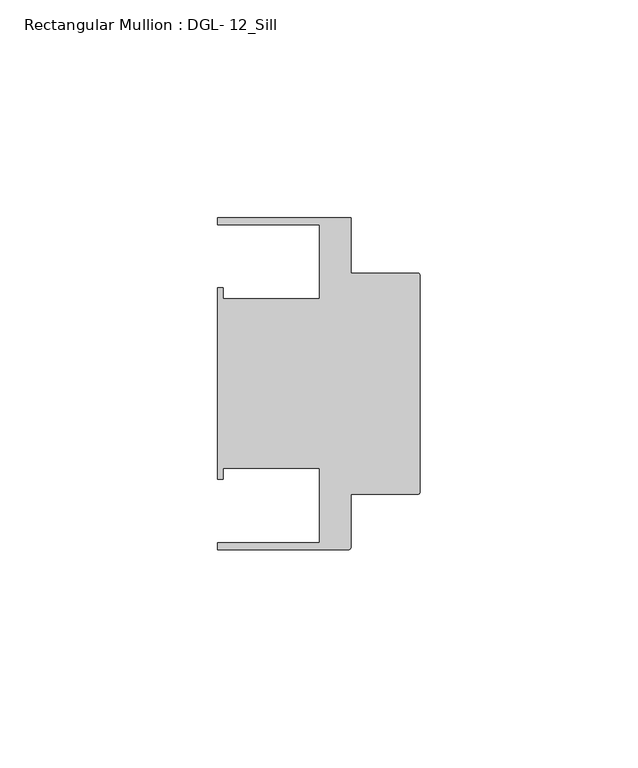
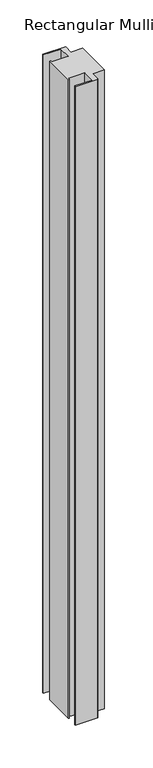
"""IFC4 building model written with IfcOpenShell, lengths in millimetres: member geometry, Rectangular Mullion : DGL- 12_Sill."""

from ifc_helpers import new_model, si_unit, point, frame, frame_2d, origin, place, context, project, spatial, polyline, circle_curve, trimmed, segment, composite_curve, outline, extrude, source, transform, mapped, element, save


def rectangular_mullion_dgl_12_sill_f5199025(model_context):
    return source(origin(), model_context, "Body", "SweptSolid", [
        extrude(outline(composite_curve([segment(trimmed(circle_curve(frame_2d((-0.5953125, 24.8046875)), 0.5953125), [point((-0.5953125, 25.4))], [point((0.0, 24.8046875))], False, "CARTESIAN"), True, "CONTINUOUS"), segment(polyline([(0.0, 24.8046875), (0.0, -24.8046875)]), True, "CONTINUOUS"), segment(trimmed(circle_curve(frame_2d((-0.5953125, -24.8046875)), 0.5953125), [point((0.0, -24.8046875))], [point((-0.5953125, -25.4))], False, "CARTESIAN"), True, "CONTINUOUS"), segment(polyline([(-0.5953125, -25.4), (-15.8750672, -25.4), (-15.8750672, -37.5047035)]), True, "CONTINUOUS"), segment(trimmed(circle_curve(frame_2d((-16.4703797, -37.5047035)), 0.5953125), [point((-15.8750672, -37.5047035))], [point((-16.4703797, -38.100016))], False, "CARTESIAN"), True, "CONTINUOUS"), segment(polyline([(-16.4703797, -38.100016), (-46.54296, -38.100016), (-46.54296, -36.512516), (-23.1202791, -36.512516), (-23.1202791, -19.4824275), (-45.2865266, -19.4824275), (-45.2865266, -21.9710976), (-46.54296, -21.9710976), (-46.54296, 21.9710976), (-45.2865266, 21.9710976), (-45.2865266, 19.4824275), (-23.1202791, 19.4824275), (-23.1202791, 36.512516), (-46.54296, 36.512516), (-46.54296, 38.0996792), (-15.8750672, 38.0996792), (-15.8750672, 25.4), (-0.5953125, 25.4)]), True, "CONTINUOUS")], self_intersect=False)), frame((0.0, 0.0, -910.9263895), z_axis=(0.0, 0.0, 1.0), x_axis=(1.0, 0.0, 0.0)), (0.0, 0.0, 1.0), 910.9263895),
    ])


if __name__ == "__main__":
    model = new_model("IFC4")
    model_context = context("Model", 3, world=origin())
    ifc_project = project(units=[si_unit("LENGTHUNIT", "METRE", prefix="MILLI")], contexts=[model_context])
    site = spatial("IfcSite", under=ifc_project)
    building = spatial("IfcBuilding", under=site)
    placement = place(None, origin())
    rectangular_mullion_dgl_12_sill_shape = rectangular_mullion_dgl_12_sill_f5199025(model_context)
    element("IfcMember", 1, ObjectType="Rectangular Mullion : DGL- 12_Sill", at=placement, inside=building, context=model_context, shape_type="MappedRepresentation", body=[
        mapped(rectangular_mullion_dgl_12_sill_shape, transform((0.0, 0.0, 0.0), x_axis=(1.0, 0.0, 0.0), y_axis=(0.0, 1.0, 0.0), z_axis=(0.0, 0.0, 1.0))),
    ])
    save(model, "model.ifc")
